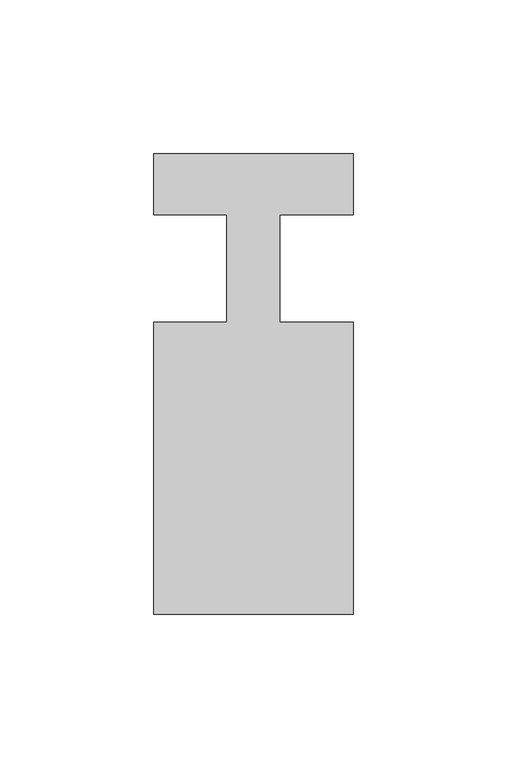
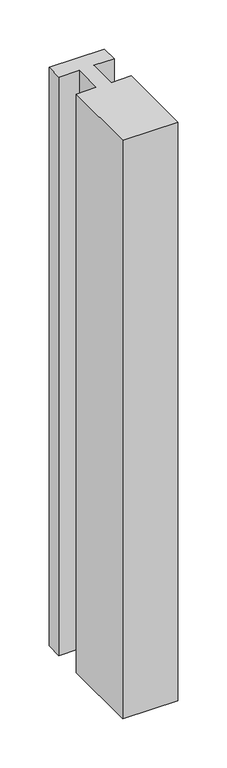
"""IFC4 building model written with IfcOpenShell, lengths in millimetres: member geometry."""

from ifc_helpers import new_model, si_unit, frame, origin, place, context, project, spatial, polyline, outline, extrude, source, transform, mapped, element, save


def member_24676b06(model_context):
    return source(origin(), model_context, "Body", "SweptSolid", [
        extrude(outline(polyline([(0.0, 37.0), (0.0, 17.0), (-23.8125, 17.0), (-23.8125, -18.0), (0.0, -18.0), (0.0, -113.0), (-65.0, -113.0), (-65.0, -18.0), (-41.1875, -18.0), (-41.1875, 17.0), (-65.0, 17.0), (-65.0, 37.0), (0.0, 37.0)])), frame((0.0, 0.0, -720.0), z_axis=(0.0, 0.0, 1.0), x_axis=(1.0, 0.0, 0.0)), (0.0, 0.0, 1.0), 720.0),
    ])


if __name__ == "__main__":
    model = new_model("IFC4")
    model_context = context("Model", 3, world=origin())
    ifc_project = project(units=[si_unit("LENGTHUNIT", "METRE", prefix="MILLI")], contexts=[model_context])
    site = spatial("IfcSite", under=ifc_project)
    building = spatial("IfcBuilding", under=site)
    placement = place(None, origin())
    member_shape = member_24676b06(model_context)
    element("IfcMember", 1, at=placement, inside=building, context=model_context, shape_type="MappedRepresentation", body=[
        mapped(member_shape, transform((0.0, 0.0, 0.0), x_axis=(1.0, 0.0, 0.0), y_axis=(0.0, 1.0, 0.0), z_axis=(0.0, 0.0, 1.0))),
    ])
    save(model, "model.ifc")
